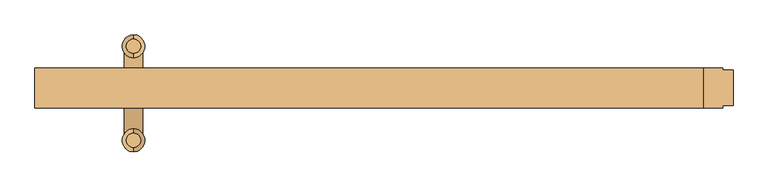
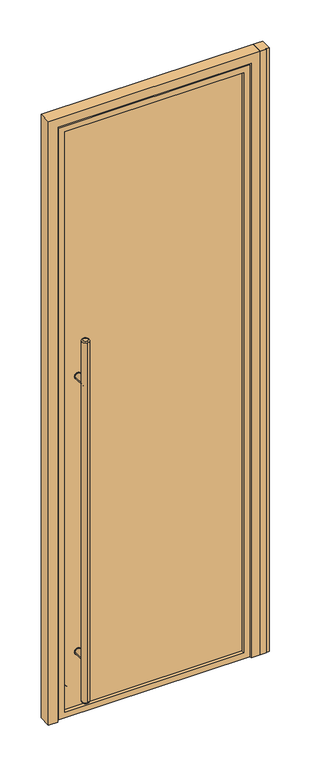
"""IFC4 building model written with IfcOpenShell, lengths in millimetres: door geometry."""

from ifc_helpers import new_model, si_unit, point, frame, frame_2d, origin, origin_with_axes, place, context, project, spatial, polyline, circle_curve, ellipse_curve, trimmed, segment, composite_curve, outline, extrude, faceted_brep, source, transform, mapped, element, save
from ifc_brep_helpers import plane_surface, cylinder_surface, revolved_surface, advanced_brep


def door_5c0e9a35(model_context):
    return source(origin(), model_context, "Body", "SolidModel", [
        extrude(outline(composite_curve([segment(trimmed(circle_curve(frame_2d((312.7375, -357.1875)), 15.875), [point((312.7375, -373.0625))], [point((312.7375, -341.3125))], False, "CARTESIAN"), True, "CONTINUOUS"), segment(trimmed(circle_curve(frame_2d((312.7375, -357.1875)), 15.875), [point((312.7375, -341.3125))], [point((312.7375, -373.0625))], False, "CARTESIAN"), True, "CONTINUOUS")], self_intersect=False)), frame((0.0, -1.5875, 0.0), z_axis=(0.0, 1.0, 0.0), x_axis=(0.0, 0.0, 1.0)), (0.0, 0.0, 1.0), 3.175),
        extrude(outline(composite_curve([segment(trimmed(circle_curve(frame_2d((1703.3875, -357.1875)), 15.875), [point((1703.3875, -341.3125))], [point((1703.3875, -373.0625))], False, "CARTESIAN"), True, "CONTINUOUS"), segment(trimmed(circle_curve(frame_2d((1703.3875, -357.1875)), 15.875), [point((1703.3875, -373.0625))], [point((1703.3875, -341.3125))], False, "CARTESIAN"), True, "CONTINUOUS")], self_intersect=False)), frame((0.0, -1.5875, 0.0), z_axis=(0.0, 1.0, 0.0), x_axis=(0.0, 0.0, 1.0)), (0.0, 0.0, 1.0), 3.175),
        extrude(outline(composite_curve([segment(trimmed(circle_curve(frame_2d((312.7375, -357.1875)), 15.875), [point((312.7375, -373.0625))], [point((312.7375, -341.3125))], False, "CARTESIAN"), True, "CONTINUOUS"), segment(trimmed(circle_curve(frame_2d((312.7375, -357.1875)), 15.875), [point((312.7375, -341.3125))], [point((312.7375, -373.0625))], False, "CARTESIAN"), True, "CONTINUOUS")], self_intersect=False)), frame((0.0, -17.4625, 0.0), z_axis=(0.0, 1.0, 0.0), x_axis=(0.0, 0.0, 1.0)), (0.0, 0.0, 1.0), 3.175),
        extrude(outline(composite_curve([segment(trimmed(circle_curve(frame_2d((1703.3875, -357.1875)), 15.875), [point((1703.3875, -373.0625))], [point((1703.3875, -341.3125))], False, "CARTESIAN"), True, "CONTINUOUS"), segment(trimmed(circle_curve(frame_2d((1703.3875, -357.1875)), 15.875), [point((1703.3875, -341.3125))], [point((1703.3875, -373.0625))], False, "CARTESIAN"), True, "CONTINUOUS")], self_intersect=False)), frame((0.0, -17.4625, 0.0), z_axis=(0.0, 1.0, 0.0), x_axis=(0.0, 0.0, 1.0)), (0.0, 0.0, 1.0), 3.175),
        extrude(outline(composite_curve([segment(trimmed(circle_curve(frame_2d((312.7375, -357.1875)), 14.2875), [point((312.7375, -342.9))], [point((312.7375, -371.475))], False, "CARTESIAN"), True, "CONTINUOUS"), segment(trimmed(circle_curve(frame_2d((312.7375, -357.1875)), 14.2875), [point((312.7375, -371.475))], [point((312.7375, -342.9))], False, "CARTESIAN"), True, "CONTINUOUS")], self_intersect=False)), frame((0.0, -79.375, 0.0), z_axis=(0.0, 1.0, 0.0), x_axis=(0.0, 0.0, 1.0)), (0.0, 0.0, 1.0), 65.0875),
        extrude(outline(composite_curve([segment(trimmed(circle_curve(frame_2d((1703.3875, -357.1875)), 14.2875), [point((1703.3875, -342.9))], [point((1703.3875, -371.475))], False, "CARTESIAN"), True, "CONTINUOUS"), segment(trimmed(circle_curve(frame_2d((1703.3875, -357.1875)), 14.2875), [point((1703.3875, -371.475))], [point((1703.3875, -342.9))], False, "CARTESIAN"), True, "CONTINUOUS")], self_intersect=False)), frame((0.0, -79.375, 0.0), z_axis=(0.0, 1.0, 0.0), x_axis=(0.0, 0.0, 1.0)), (0.0, 0.0, 1.0), 65.0875),
        advanced_brep(
        [(-357.1875, 52.705, 1924.05), (-357.1875, 74.295, 1924.05), (-357.1875, 74.295, 95.25), (-357.1875, 52.705, 95.25), (-357.1875, 80.645, 101.6), (-357.1875, 80.645, 1917.7), (-357.1875, 46.355, 1917.7), (-357.1875, 46.355, 101.6)],
        [
            (0, 1, circle_curve(frame((-357.1875, 63.5, 1924.05), z_axis=(0.0, 0.0, 1.0), x_axis=(0.0, -1.0, 0.0)), 10.795)),
            (1, 0, circle_curve(frame((-357.1875, 63.5, 1924.05), z_axis=(0.0, 0.0, 1.0), x_axis=(0.0, -1.0, 0.0)), 10.795)),
            (2, 3, circle_curve(frame((-357.1875, 63.5, 95.25), z_axis=(0.0, 0.0, -1.0), x_axis=(0.0, -1.0, 0.0)), 10.795)),
            (3, 2, circle_curve(frame((-357.1875, 63.5, 95.25), z_axis=(0.0, 0.0, -1.0), x_axis=(0.0, -1.0, 0.0)), 10.795)),
            (4, 5),
            (5, 6, circle_curve(frame((-357.1875, 63.5, 1917.7), z_axis=(0.0, 0.0, -1.0), x_axis=(0.0, -1.0, 0.0)), 17.145)),
            (6, 7),
            (7, 4, circle_curve(frame((-357.1875, 63.5, 101.6), z_axis=(0.0, 0.0, 1.0), x_axis=(0.0, -1.0, 0.0)), 17.145)),
            (6, 5, circle_curve(frame((-357.1875, 63.5, 1917.7), z_axis=(0.0, 0.0, -1.0), x_axis=(0.0, -1.0, 0.0)), 17.145)),
            (4, 7, circle_curve(frame((-357.1875, 63.5, 101.6), z_axis=(0.0, 0.0, 1.0), x_axis=(0.0, -1.0, 0.0)), 17.145)),
            (3, 7, circle_curve(frame((-357.1875, 52.705, 101.6), z_axis=(-1.0, 0.0, 0.0), x_axis=(0.0, -1.0, 0.0)), 6.35)),
            (4, 2, circle_curve(frame((-357.1875, 74.295, 101.6), z_axis=(-1.0, 0.0, 0.0), x_axis=(0.0, 1.0, 0.0)), 6.35)),
            (6, 0, circle_curve(frame((-357.1875, 52.705, 1917.7), z_axis=(-1.0, 0.0, 0.0), x_axis=(0.0, -1.0, 0.0)), 6.35)),
            (1, 5, circle_curve(frame((-357.1875, 74.295, 1917.7), z_axis=(-1.0, 0.0, 0.0), x_axis=(0.0, 1.0, 0.0)), 6.35)),
        ],
        [
            plane_surface(frame((-357.1875, -96.52, 1924.05), z_axis=(0.0, 0.0, 1.0), x_axis=(-1.0, 0.0, 0.0))),
            plane_surface(frame((-357.1875, -96.52, 95.25), z_axis=(0.0, 0.0, -1.0), x_axis=(1.0, 0.0, 0.0))),
            cylinder_surface(frame((-357.1875, 63.5, 95.25), z_axis=(0.0, 0.0, 1.0), x_axis=(0.0, -1.0, 0.0)), 17.145),
            revolved_surface(trimmed(ellipse_curve(frame((-357.1875, 52.705, 101.6), z_axis=(-1.0, 0.0, 0.0), x_axis=(0.0, -1.0, 0.0)), 6.35, 6.35), [point((-357.1875, 52.705, 95.25))], [point((-357.1875, 46.355, 101.6))], True, "CARTESIAN"), (-357.1875, 63.5, 2533.65), (0.0, 0.0, 1.0)),
            revolved_surface(trimmed(ellipse_curve(frame((-357.1875, 52.705, 1917.7), z_axis=(-1.0, 0.0, 0.0), x_axis=(0.0, -1.0, 0.0)), 6.35, 6.35), [point((-357.1875, 46.355, 1917.7))], [point((-357.1875, 52.705, 1924.05))], True, "CARTESIAN"), (-357.1875, 63.5, -514.35), (0.0, 0.0, 1.0)),
        ],
        [
            (0, [[1, 2]]),
            (1, [[3, 4]]),
            (2, [[5, 6, 7, 8]]),
            (2, [[-7, 9, -5, 10]]),
            (3, [[-4, 11, -10, 12]]),
            (3, [[-8, -11, -3, -12]]),
            (4, [[-9, 13, -2, 14]]),
            (4, [[-1, -13, -6, -14]]),
        ],
    ),
        advanced_brep(
        [(-357.1875, -90.17, 1924.05), (-357.1875, -68.58, 1924.05), (-357.1875, -68.58, 95.25), (-357.1875, -90.17, 95.25), (-357.1875, -62.23, 101.6), (-357.1875, -62.23, 1917.7), (-357.1875, -96.52, 1917.7), (-357.1875, -96.52, 101.6)],
        [
            (0, 1, circle_curve(frame((-357.1875, -79.375, 1924.05), z_axis=(0.0, 0.0, 1.0), x_axis=(0.0, 1.0, 0.0)), 10.795)),
            (1, 0, circle_curve(frame((-357.1875, -79.375, 1924.05), z_axis=(0.0, 0.0, 1.0), x_axis=(0.0, 1.0, 0.0)), 10.795)),
            (2, 3, circle_curve(frame((-357.1875, -79.375, 95.25), z_axis=(0.0, 0.0, -1.0), x_axis=(0.0, 1.0, 0.0)), 10.795)),
            (3, 2, circle_curve(frame((-357.1875, -79.375, 95.25), z_axis=(0.0, 0.0, -1.0), x_axis=(0.0, 1.0, 0.0)), 10.795)),
            (4, 5),
            (5, 6, circle_curve(frame((-357.1875, -79.375, 1917.7), z_axis=(0.0, 0.0, -1.0), x_axis=(0.0, -1.0, 0.0)), 17.145)),
            (6, 7),
            (7, 4, circle_curve(frame((-357.1875, -79.375, 101.6), z_axis=(0.0, 0.0, 1.0), x_axis=(0.0, -1.0, 0.0)), 17.145)),
            (6, 5, circle_curve(frame((-357.1875, -79.375, 1917.7), z_axis=(0.0, 0.0, -1.0), x_axis=(0.0, -1.0, 0.0)), 17.145)),
            (4, 7, circle_curve(frame((-357.1875, -79.375, 101.6), z_axis=(0.0, 0.0, 1.0), x_axis=(0.0, -1.0, 0.0)), 17.145)),
            (4, 2, circle_curve(frame((-357.1875, -68.58, 101.6), z_axis=(-1.0, 0.0, 0.0), x_axis=(0.0, 1.0, 0.0)), 6.35)),
            (3, 7, circle_curve(frame((-357.1875, -90.17, 101.6), z_axis=(-1.0, 0.0, 0.0), x_axis=(0.0, -1.0, 0.0)), 6.35)),
            (1, 5, circle_curve(frame((-357.1875, -68.58, 1917.7), z_axis=(-1.0, 0.0, 0.0), x_axis=(0.0, 1.0, 0.0)), 6.35)),
            (6, 0, circle_curve(frame((-357.1875, -90.17, 1917.7), z_axis=(-1.0, 0.0, 0.0), x_axis=(0.0, -1.0, 0.0)), 6.35)),
        ],
        [
            plane_surface(frame((-357.1875, -96.52, 1924.05), z_axis=(0.0, 0.0, 1.0), x_axis=(-1.0, 0.0, 0.0))),
            plane_surface(frame((-357.1875, -96.52, 95.25), z_axis=(0.0, 0.0, -1.0), x_axis=(1.0, 0.0, 0.0))),
            cylinder_surface(frame((-357.1875, -79.375, 95.25), z_axis=(0.0, 0.0, 1.0), x_axis=(0.0, -1.0, 0.0)), 17.145),
            revolved_surface(trimmed(ellipse_curve(frame((-357.1875, -68.58, 101.6), z_axis=(-1.0, 0.0, 0.0), x_axis=(0.0, 1.0, 0.0)), 6.35, 6.35), [point((-357.1875, -62.23, 101.6))], [point((-357.1875, -68.58, 95.25))], True, "CARTESIAN"), (-357.1875, -79.375, 2533.65), (0.0, 0.0, -1.0)),
            revolved_surface(trimmed(ellipse_curve(frame((-357.1875, -68.58, 1917.7), z_axis=(-1.0, 0.0, 0.0), x_axis=(0.0, 1.0, 0.0)), 6.35, 6.35), [point((-357.1875, -68.58, 1924.05))], [point((-357.1875, -62.23, 1917.7))], True, "CARTESIAN"), (-357.1875, -79.375, -514.35), (0.0, 0.0, -1.0)),
        ],
        [
            (0, [[1, 2]]),
            (1, [[3, 4]]),
            (2, [[5, 6, 7, 8]]),
            (2, [[-7, 9, -5, 10]]),
            (3, [[-10, 11, -4, 12]]),
            (3, [[-3, -11, -8, -12]]),
            (4, [[-2, 13, -9, 14]]),
            (4, [[-6, -13, -1, -14]]),
        ],
    ),
        extrude(outline(composite_curve([segment(trimmed(circle_curve(frame_2d((312.7375, -357.1875)), 14.2875), [point((312.7375, -342.9))], [point((312.7375, -371.475))], False, "CARTESIAN"), True, "CONTINUOUS"), segment(trimmed(circle_curve(frame_2d((312.7375, -357.1875)), 14.2875), [point((312.7375, -371.475))], [point((312.7375, -342.9))], False, "CARTESIAN"), True, "CONTINUOUS")], self_intersect=False)), frame((0.0, -1.5875, 0.0), z_axis=(0.0, 1.0, 0.0), x_axis=(0.0, 0.0, 1.0)), (0.0, 0.0, 1.0), 65.0875),
        extrude(outline(composite_curve([segment(trimmed(circle_curve(frame_2d((1703.3875, -357.1875)), 14.2875), [point((1703.3875, -342.9))], [point((1703.3875, -371.475))], False, "CARTESIAN"), True, "CONTINUOUS"), segment(trimmed(circle_curve(frame_2d((1703.3875, -357.1875)), 14.2875), [point((1703.3875, -371.475))], [point((1703.3875, -342.9))], False, "CARTESIAN"), True, "CONTINUOUS")], self_intersect=False)), frame((0.0, -1.5875, 0.0), z_axis=(0.0, 1.0, 0.0), x_axis=(0.0, 0.0, 1.0)), (0.0, 0.0, 1.0), 65.0875),
        extrude(outline(polyline([(506.4125, -30.1625), (506.4125, 30.1625), (534.9875, 30.1625), (534.9875, 26.9875), (550.8625, 26.9875), (550.8625, -26.9875), (534.9875, -26.9875), (534.9875, -30.1625), (506.4125, -30.1625)])), origin_with_axes(), (0.0, 0.0, 1.0), 3048.0),
        extrude(outline(polyline([(9.525, -455.6125), (9.525, 455.6125), (2997.2, 455.6125), (2997.2, -455.6125), (9.525, -455.6125)]), holes=[polyline([(38.1, 427.0375), (38.1, -427.0375), (2968.625, -427.0375), (2968.625, 427.0375), (38.1, 427.0375)])]), frame((0.0, -30.1625, 0.0), z_axis=(0.0, 1.0, 0.0), x_axis=(0.0, 0.0, 1.0)), (0.0, 0.0, 1.0), 44.45),
        faceted_brep([(-506.4125, 30.1625, 0.0), (-449.2625, 30.1625, 0.0), (-449.2625, 17.4625, 0.0), (-461.9625, 17.4625, 0.0), (-461.9625, -30.1625, 0.0), (-506.4125, -30.1625, 0.0), (-506.4125, -30.1625, 3048.0), (-506.4125, 30.1625, 3048.0), (-461.9625, -30.1625, 3003.55), (461.9625, -30.1625, 3003.55), (461.9625, -30.1625, 0.0), (506.4125, -30.1625, 0.0), (506.4125, -30.1625, 3048.0), (-461.9625, 17.4625, 3003.55), (-449.2625, 17.4625, 2990.85), (449.2625, 17.4625, 2990.85), (449.2625, 17.4625, 0.0), (461.9625, 17.4625, 0.0), (461.9625, 17.4625, 3003.55), (-449.2625, 30.1625, 2990.85), (506.4125, 30.1625, 3048.0), (506.4125, 30.1625, 0.0), (449.2625, 30.1625, 0.0), (449.2625, 30.1625, 2990.85)], [[[0, 1, 2, 3, 4, 5]], [[5, 6, 7, 0]], [[4, 8, 9, 10, 11, 12, 6, 5]], [[3, 13, 8, 4]], [[2, 14, 15, 16, 17, 18, 13, 3]], [[1, 19, 14, 2]], [[0, 7, 20, 21, 22, 23, 19, 1]], [[21, 11, 10, 17, 16, 22]], [[23, 22, 16, 15]], [[18, 17, 10, 9]], [[12, 11, 21, 20]], [[6, 12, 20, 7]], [[13, 18, 9, 8]], [[19, 23, 15, 14]]]),
        extrude(outline(polyline([(427.0375, -1.5875), (427.0375, -14.2875), (-427.0375, -14.2875), (-427.0375, -1.5875), (427.0375, -1.5875)])), frame((0.0, 0.0, 38.1), z_axis=(0.0, 0.0, 1.0), x_axis=(1.0, 0.0, 0.0)), (0.0, 0.0, 1.0), 2930.525),
    ])


if __name__ == "__main__":
    model = new_model("IFC4")
    model_context = context("Model", 3, world=origin())
    ifc_project = project(units=[si_unit("LENGTHUNIT", "METRE", prefix="MILLI")], contexts=[model_context])
    site = spatial("IfcSite", under=ifc_project)
    building = spatial("IfcBuilding", under=site)
    placement = place(None, origin())
    door_shape = door_5c0e9a35(model_context)
    element("IfcDoor", 1, at=placement, inside=building, context=model_context, shape_type="MappedRepresentation", body=[
        mapped(door_shape, transform((0.0, 0.0, 0.0), x_axis=(1.0, 0.0, 0.0), y_axis=(0.0, 1.0, 0.0), z_axis=(0.0, 0.0, 1.0))),
    ])
    save(model, "model.ifc")
